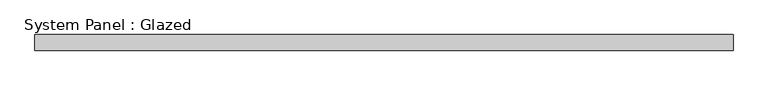
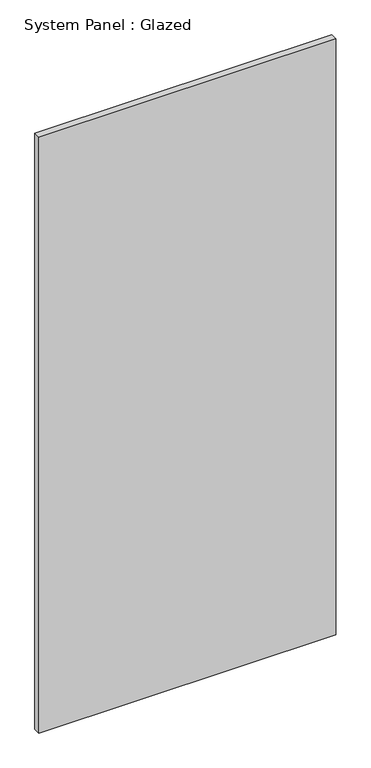
"""IFC4 building model written with IfcOpenShell, lengths in millimetres: plate geometry, System Panel : Glazed."""

import ifcopenshell
import ifcopenshell.guid

model = None  # the IFC model being written
_history = None  # IfcOwnerHistory: only IFC2X3 demands one
_inside = {}  # id of a spatial element -> (the spatial element, [elements in it])
_under = {}  # id of a project, library or spatial element -> (it, [spatial elements below it])
_declared = {}  # id of a project -> (the project, [libraries it declares])
_typed = {}  # id of a type object -> (the type object, [elements of that type])
_made_of = {}  # id of a material, layer set ... -> (it, [elements and type objects made of it])


def new_model(schema):
    """Start an empty IFC model of exactly this schema.

    Asked for "IFC4X3", IfcOpenShell would pick the latest addendum, in which some entities
    have other attributes; the version numbers below select the first issue.
    IFC2X3 requires an IfcOwnerHistory on every rooted entity: one is made here for all.
    """
    global model, _history
    if schema == "IFC4X3":
        model = ifcopenshell.file(schema_version=(4, 3, 0, 0))
    else:
        model = ifcopenshell.file(schema=schema)
    _inside.clear()
    _under.clear()
    _declared.clear()
    _typed.clear()
    _made_of.clear()
    _history = None
    if model.schema == "IFC2X3":
        org = make("IfcOrganization", Name="unknown")
        user = make(
            "IfcPersonAndOrganization",
            ThePerson=make("IfcPerson", FamilyName="unknown"),
            TheOrganization=org,
        )
        app = make(
            "IfcApplication",
            ApplicationDeveloper=org,
            Version="unknown",
            ApplicationFullName="unknown",
            ApplicationIdentifier="unknown",
        )
        _history = make(
            "IfcOwnerHistory",
            OwningUser=user,
            OwningApplication=app,
            ChangeAction="ADDED",
            CreationDate=0,
        )
    return model


def make(cls, **values):
    """One entity of the class cls with the attributes given. An attribute that is None is left unset."""
    return model.create_entity(
        cls, **{name: value for name, value in values.items() if value is not None}
    )


def rooted(cls, **values):
    """An entity with a GlobalId (a new one), such as an element, a storey or a relation."""
    return make(cls, GlobalId=ifcopenshell.guid.new(), OwnerHistory=_history, **values)


def si_unit(unit_type, name, prefix=None):
    """IfcSIUnit, for example si_unit("LENGTHUNIT", "METRE", prefix="MILLI")."""
    return make("IfcSIUnit", UnitType=unit_type, Prefix=prefix, Name=name)


def assignment(units):
    """IfcUnitAssignment: the units of a project."""
    return None if units is None else make("IfcUnitAssignment", Units=units)


def point(xyz):
    """IfcCartesianPoint."""
    return None if xyz is None else make("IfcCartesianPoint", Coordinates=xyz)


def direction(xyz):
    """IfcDirection."""
    return None if xyz is None else make("IfcDirection", DirectionRatios=xyz)


def frame(location, z_axis=None, x_axis=None):
    """IfcAxis2Placement3D, a coordinate frame: its origin and axes. An axis left out is left unset."""
    return make(
        "IfcAxis2Placement3D",
        Location=point(location),
        Axis=direction(z_axis),
        RefDirection=direction(x_axis),
    )


def origin():
    """The frame at (0, 0, 0) with its axes left unset."""
    return frame((0.0, 0.0, 0.0))


def origin_with_axes():
    """The frame at (0, 0, 0) with the z axis (0, 0, 1) and the x axis (1, 0, 0) written out."""
    return frame((0.0, 0.0, 0.0), z_axis=(0.0, 0.0, 1.0), x_axis=(1.0, 0.0, 0.0))


def place(relative_to, where):
    """IfcLocalPlacement: puts the frame where relative to a parent placement (None: the world)."""
    return make(
        "IfcLocalPlacement", PlacementRelTo=relative_to, RelativePlacement=where
    )


def context(
    kind, dimensions, precision=None, world=None, true_north=None, identifier=None
):
    """IfcGeometricRepresentationContext, for example the 3D "Model" context."""
    return make(
        "IfcGeometricRepresentationContext",
        ContextIdentifier=identifier,
        ContextType=kind,
        CoordinateSpaceDimension=dimensions,
        Precision=precision,
        WorldCoordinateSystem=world,
        TrueNorth=true_north,
    )


def project(units=None, contexts=None):
    """IfcProject with its units and contexts."""
    return rooted(
        "IfcProject",
        Name="project",
        RepresentationContexts=contexts,
        UnitsInContext=assignment(units),
    )


def spatial(cls, under=None, at=None, **own):
    """A site, building, storey or space (cls), placed at a placement, below another one or the project."""
    s = rooted(cls, ObjectPlacement=at, **own)
    if under is not None:
        _under.setdefault(under.id(), (under, []))[1].append(s)
    return s


def polyline(points):
    """IfcPolyline through the points."""
    return make("IfcPolyline", Points=[point(p) for p in points])


def outline(outer, holes=None, kind="AREA"):
    """IfcArbitraryClosedProfileDef: a profile drawn as a closed curve; with holes, ...WithVoids."""
    if holes is None:
        return make("IfcArbitraryClosedProfileDef", ProfileType=kind, OuterCurve=outer)
    return make(
        "IfcArbitraryProfileDefWithVoids",
        ProfileType=kind,
        OuterCurve=outer,
        InnerCurves=holes,
    )


def extrude(swept, where, along, depth):
    """IfcExtrudedAreaSolid: the profile swept, set in the frame where, extruded along a direction by depth."""
    return make(
        "IfcExtrudedAreaSolid",
        SweptArea=swept,
        Position=where,
        ExtrudedDirection=direction(along),
        Depth=depth,
    )


def shape(context_of_items, identifier, shape_type, items):
    """IfcShapeRepresentation: the items that make up one representation, for example the "Body"."""
    return make(
        "IfcShapeRepresentation",
        ContextOfItems=context_of_items,
        RepresentationIdentifier=identifier,
        RepresentationType=shape_type,
        Items=items,
    )


def source(mapping_origin, context_of_items, identifier, shape_type, items):
    """IfcRepresentationMap: a shape defined once, which mapped items show again and again."""
    return make(
        "IfcRepresentationMap",
        MappingOrigin=mapping_origin,
        MappedRepresentation=shape(context_of_items, identifier, shape_type, items),
    )


def transform(
    local_origin,
    x_axis=None,
    y_axis=None,
    z_axis=None,
    scale=None,
    scale2=None,
    scale3=None,
    uniform=True,
):
    """IfcCartesianTransformationOperator3D, or its non-uniform kind. x_axis, y_axis, z_axis: its Axis1, 2, 3."""
    if uniform:
        return make(
            "IfcCartesianTransformationOperator3D",
            Axis1=direction(x_axis),
            Axis2=direction(y_axis),
            LocalOrigin=point(local_origin),
            Scale=scale,
            Axis3=direction(z_axis),
        )
    return make(
        "IfcCartesianTransformationOperator3DnonUniform",
        Axis1=direction(x_axis),
        Axis2=direction(y_axis),
        LocalOrigin=point(local_origin),
        Scale=scale,
        Axis3=direction(z_axis),
        Scale2=scale2,
        Scale3=scale3,
    )


def mapped(mapping_source, mapping_target):
    """IfcMappedItem: shows the shape of a source again, moved by a transform."""
    return make(
        "IfcMappedItem", MappingSource=mapping_source, MappingTarget=mapping_target
    )


def made_of(thing, what):
    """Note that an element or type object is made of a material, layer set ...; save() writes the relation."""
    if what is not None:
        _made_of.setdefault(what.id(), (what, []))[1].append(thing)
    return thing


def element(
    cls,
    number,
    at=None,
    inside=None,
    cuts=None,
    type_object=None,
    material=None,
    context=None,
    identifier="Body",
    shape_type=None,
    held_by="IfcProductDefinitionShape",
    body=None,
    shapes=None,
    **own,
):
    """One element of the class cls, such as IfcWall. Its Tag is "e" and its number.

    at: its placement. inside: the storey or other place that contains it. cuts: it is an
    opening in that element (IfcRelVoidsElement). A single representation is given by context,
    identifier, shape_type and body (its items); several are given by shapes. held_by: the class
    of the entity that holds the representations. save() writes the other relations.
    """
    e = rooted(cls, Tag="e%d" % number, ObjectPlacement=at, **own)
    if body is not None:
        shapes = [shape(context, identifier, shape_type, body)]
    if shapes is not None:
        e.Representation = make(held_by, Representations=shapes)
    if inside is not None:
        _inside.setdefault(inside.id(), (inside, []))[1].append(e)
    if cuts is not None:
        rooted(
            "IfcRelVoidsElement", RelatingBuildingElement=cuts, RelatedOpeningElement=e
        )
    if type_object is not None:
        _typed.setdefault(type_object.id(), (type_object, []))[1].append(e)
    return made_of(e, material)


def aggregate(whole, parts):
    """IfcRelAggregates: a whole, such as a stair, and the parts it consists of."""
    return rooted("IfcRelAggregates", RelatingObject=whole, RelatedObjects=parts)


def save(model, path):
    """Write the relations noted so far, then the file.

    IfcRelAggregates (storeys below a building ...), IfcRelContainedInSpatialStructure (elements
    in a storey), IfcRelDefinesByType, IfcRelAssociatesMaterial and IfcRelDeclares: one each for
    every whole, place, type object, material and project.
    """
    for whole, parts in _under.values():
        aggregate(whole, parts)
    for where, things in _inside.values():
        rooted(
            "IfcRelContainedInSpatialStructure",
            RelatedElements=things,
            RelatingStructure=where,
        )
    for kind, things in _typed.values():
        rooted("IfcRelDefinesByType", RelatedObjects=things, RelatingType=kind)
    for what, things in _made_of.values():
        rooted("IfcRelAssociatesMaterial", RelatedObjects=things, RelatingMaterial=what)
    for by, libraries in _declared.values():
        rooted("IfcRelDeclares", RelatingContext=by, RelatedDefinitions=libraries)
    model.write(path)


def system_panel_glazed_578e44a7(model_context):
    return source(origin(), model_context, "Body", "SweptSolid", [
        extrude(outline(polyline([(552.4499999, -44.45), (-552.4499999, -44.45), (-552.4499999, -19.05), (552.4499999, -19.05), (552.4499999, -44.45)])), origin_with_axes(), (0.0, 0.0, 1.0), 2343.15),
    ])


if __name__ == "__main__":
    model = new_model("IFC4")
    model_context = context("Model", 3, world=origin())
    ifc_project = project(units=[si_unit("LENGTHUNIT", "METRE", prefix="MILLI")], contexts=[model_context])
    site = spatial("IfcSite", under=ifc_project)
    building = spatial("IfcBuilding", under=site)
    placement = place(None, origin())
    system_panel_glazed_shape = system_panel_glazed_578e44a7(model_context)
    element("IfcPlate", 1, ObjectType="System Panel : Glazed", at=placement, inside=building, context=model_context, shape_type="MappedRepresentation", body=[
        mapped(system_panel_glazed_shape, transform((0.0, 0.0, 0.0), x_axis=(1.0, 0.0, 0.0), y_axis=(0.0, 1.0, 0.0), z_axis=(0.0, 0.0, 1.0))),
    ])
    save(model, "model.ifc")
